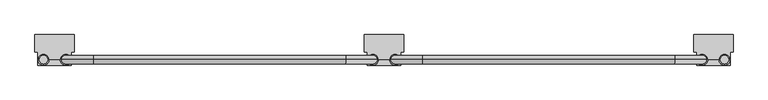
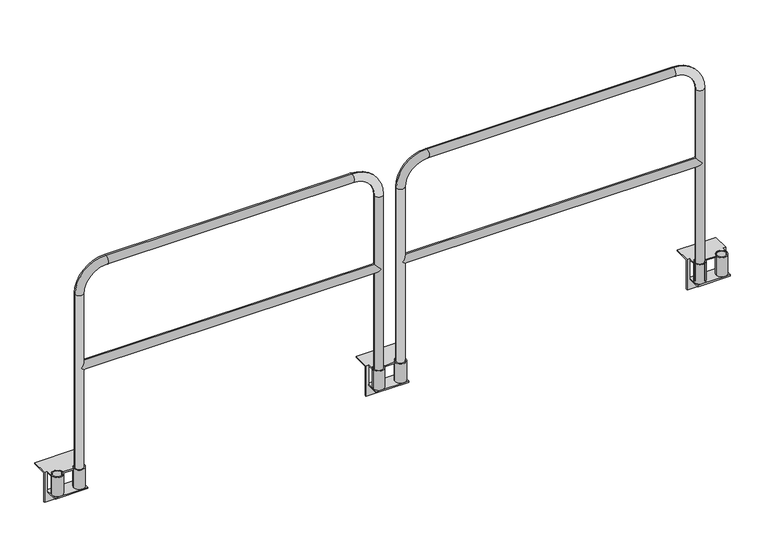
"""IFC4 building model written with IfcOpenShell, lengths in millimetres: railing geometry."""

from ifc_helpers import new_model, si_unit, point, frame, frame_2d, origin, place, context, project, spatial, polyline, circle_curve, ellipse_curve, trimmed, segment, composite_curve, outline, extrude, source, transform, mapped, element, save
from ifc_brep_helpers import plane_surface, cylinder_surface, revolved_surface, advanced_brep


def railing_6bf42990(model_context):
    return source(origin(), model_context, "Body", "SolidModel", [
        advanced_brep(
        [(22042.6627627, 15414.0676937, -95.25), (22042.6627627, 15414.0676937, -101.6), (22042.6627627, 15479.1551937, -101.6), (22042.6627627, 15479.1551937, -95.25), (22042.6627627, 15441.0551937, -95.25), (22042.6627627, 15479.1551937, 6.35), (22042.6627627, 15441.0551937, 6.35), (22042.6627627, 15441.0551937, 0.0), (22042.6627627, 15479.1551937, 0.0), (21880.9246893, 15479.1551937, -101.6), (21880.9246893, 15414.0676937, -101.6), (21880.9246893, 15414.0676937, -95.25), (21880.9246893, 15441.0551937, -95.25), (21880.9246893, 15479.1551937, -95.25), (21880.9246893, 15479.1551937, 0.0), (21880.9246893, 15441.0551937, 0.0), (21880.9246893, 15441.0551937, 6.35), (21880.9246893, 15479.1551937, 6.35), (21988.6877627, 15441.0551937, 6.35), (21934.8996893, 15441.0551937, 6.35), (21934.8996893, 15441.0551937, 0.0), (21988.6877627, 15441.0551937, 0.0), (21866.543726, 15561.7051937, 6.35), (21866.543726, 15479.1551937, 6.35), (22057.043726, 15479.1551937, 6.35), (22057.043726, 15561.7051937, 6.35), (21866.543726, 15561.7051937, 0.0), (22057.043726, 15561.7051937, 0.0), (21866.543726, 15485.5051937, 0.0), (22057.043726, 15485.5051937, 0.0), (22042.6627627, 15485.5051937, 0.0), (21880.9246893, 15485.5051937, 0.0), (21880.9246893, 15485.5051937, -95.25), (22042.6627627, 15485.5051937, -95.25), (22057.043726, 15485.5051937, -152.4), (21866.543726, 15485.5051937, -152.4), (21907.9121893, 15414.0676937, -95.25), (22015.6752627, 15414.0676937, -95.25), (21866.543726, 15479.1551937, -152.4), (22057.043726, 15479.1551937, -152.4)],
        [
            (0, 1),
            (1, 2),
            (2, 3),
            (3, 4),
            (4, 0),
            (5, 6),
            (6, 7),
            (7, 8),
            (8, 5),
            (9, 10),
            (10, 11),
            (11, 12),
            (12, 13),
            (13, 9),
            (14, 15),
            (15, 16),
            (16, 17),
            (17, 14),
            (18, 19),
            (19, 20),
            (20, 21),
            (21, 18),
            (22, 23),
            (23, 17),
            (16, 19, circle_curve(frame((21907.9121893, 15441.0551937, 6.35), z_axis=(0.0, 0.0, -1.0), x_axis=(1.0000000000000002, 0.0, 0.0)), 26.9875)),
            (18, 6, circle_curve(frame((22015.6752627, 15441.0551937, 6.35), z_axis=(0.0, 0.0, -1.0), x_axis=(1.0000000000000002, 0.0, 0.0)), 26.9875)),
            (5, 24),
            (24, 25),
            (25, 22),
            (26, 22),
            (25, 27),
            (27, 26),
            (28, 26),
            (27, 29),
            (29, 30),
            (30, 8),
            (7, 21, circle_curve(frame((22015.6752627, 15441.0551937, 0.0), z_axis=(0.0, 0.0, 1.0), x_axis=(1.0000000000000002, 0.0, 0.0)), 26.9875)),
            (20, 15, circle_curve(frame((21907.9121893, 15441.0551937, 0.0), z_axis=(0.0, 0.0, 1.0), x_axis=(1.0000000000000002, 0.0, 0.0)), 26.9875)),
            (14, 31),
            (31, 28),
            (32, 33),
            (33, 30),
            (29, 34),
            (34, 35),
            (35, 28),
            (31, 32),
            (32, 13),
            (11, 36),
            (36, 37),
            (37, 0),
            (3, 33),
            (10, 1),
            (9, 2),
            (35, 38),
            (38, 23),
            (14, 13),
            (24, 39),
            (39, 34),
            (3, 8),
            (38, 39),
        ],
        [
            plane_surface(frame((22042.6627627, 15485.5051937, 0.0), z_axis=(1.0, 0.0, 0.0), x_axis=(0.0, 0.0, 1.0))),
            plane_surface(frame((21880.9246893, 15485.5051937, 0.0), z_axis=(-1.0, 0.0, 0.0), x_axis=(0.0, 0.0, 1.0))),
            plane_surface(frame((22042.6627627, 15441.0551937, 6.35), z_axis=(0.0, -1.0, 0.0), x_axis=(-1.0, 0.0, 0.0))),
            plane_surface(frame((22042.6627627, 15561.7051937, 6.35), z_axis=(0.0, 0.0, 1.0), x_axis=(-1.0, 0.0, 0.0))),
            plane_surface(frame((22042.6627627, 15561.7051937, 0.0), z_axis=(0.0, 1.0, 0.0), x_axis=(-1.0, 0.0, 0.0))),
            plane_surface(frame((22042.6627627, 15441.0551937, 0.0), z_axis=(0.0, 0.0, -1.0), x_axis=(-1.0, 0.0, 0.0))),
            plane_surface(frame((22042.6627627, 15485.5051937, -152.4), z_axis=(0.0, 1.0, 0.0), x_axis=(-1.0, 0.0, 0.0))),
            plane_surface(frame((22042.6627627, 15485.5051937, -95.25), z_axis=(0.0, 0.0, 1.0), x_axis=(-1.0, 0.0, 0.0))),
            plane_surface(frame((22042.6627627, 15414.0676937, -95.25), z_axis=(0.0, -1.0, 0.0), x_axis=(-1.0, 0.0, 0.0))),
            plane_surface(frame((22042.6627627, 15414.0676937, -101.6), z_axis=(0.0, 0.0, -1.0), x_axis=(-1.0, 0.0, 0.0))),
            plane_surface(frame((21866.543726, 15485.5051937, 0.0), z_axis=(-1.0, 0.0, 0.0), x_axis=(0.0, 0.0, 1.0))),
            plane_surface(frame((21880.9246893, 15485.5051937, 0.0), z_axis=(1.0, 0.0, 0.0), x_axis=(0.0, 0.0, 1.0))),
            plane_surface(frame((22057.043726, 15485.5051937, 0.0), z_axis=(1.0, 0.0, 0.0), x_axis=(0.0, 0.0, 1.0))),
            plane_surface(frame((22042.6627627, 15485.5051937, 0.0), z_axis=(-1.0, 0.0, 0.0), x_axis=(0.0, 0.0, 1.0))),
            revolved_surface(polyline([(21934.8996893, 15441.0551937, 6.349999999999994), (21934.8996893, 15441.0551937, 0.0)]), (21907.9121893, 15441.0551937, -95.25), (0.0, 0.0, 1.0)),
            revolved_surface(polyline([(22042.662762699998, 15441.0551937, 6.35), (22042.662762699998, 15441.0551937, 0.0)]), (22015.6752627, 15441.0551937, 0.0), (0.0, 0.0, 1.0)),
            plane_surface(frame((22042.6627627, 15479.1551937, -101.6), z_axis=(0.0, -1.0, 0.0), x_axis=(-1.0, 0.0, 0.0))),
            plane_surface(frame((22042.6627627, 15479.1551937, -152.4), z_axis=(0.0, 0.0, -1.0), x_axis=(-1.0, 0.0, 0.0))),
        ],
        [
            (0, [[1, 2, 3, 4, 5]]),
            (0, [[6, 7, 8, 9]]),
            (1, [[10, 11, 12, 13, 14]]),
            (1, [[15, 16, 17, 18]]),
            (2, [[19, 20, 21, 22]]),
            (3, [[23, 24, -17, 25, -19, 26, -6, 27, 28, 29]]),
            (4, [[30, -29, 31, 32]]),
            (5, [[33, -32, 34, 35, 36, -8, 37, -21, 38, -15, 39, 40]]),
            (6, [[41, 42, -35, 43, 44, 45, -40, 46]]),
            (7, [[-41, 47, -13, -12, 48, 49, 50, -5, -4, 51]]),
            (8, [[-1, -50, -49, -48, -11, 52]]),
            (9, [[-2, -52, -10, 53]]),
            (10, [[54, 55, -23, -30, -33, -45]]),
            (11, [[-46, -39, 56, -47]]),
            (12, [[-43, -34, -31, -28, 57, 58]]),
            (13, [[-42, -51, 59, -36]]),
            (14, [[-16, -38, -20, -25]]),
            (15, [[-7, -26, -22, -37]]),
            (16, [[-53, -14, -56, -18, -24, -55, 60, -57, -27, -9, -59, -3]]),
            (17, [[-54, -44, -58, -60]]),
        ],
    ),
        extrude(outline(composite_curve([segment(trimmed(circle_curve(frame_2d((22015.6752627, 15441.0551937)), 26.9875), [point((21988.6877627, 15441.0551937))], [point((22042.6627627, 15441.0551937))], False, "CARTESIAN"), True, "CONTINUOUS"), segment(trimmed(circle_curve(frame_2d((22015.6752627, 15441.0551937)), 26.9875), [point((22042.6627627, 15441.0551937))], [point((21988.6877627, 15441.0551937))], False, "CARTESIAN"), True, "CONTINUOUS")], self_intersect=False), holes=[composite_curve([segment(trimmed(circle_curve(frame_2d((22015.6752627, 15441.0551937)), 20.6375), [point((21995.0377627, 15441.0551937))], [point((22036.3127627, 15441.0551937))], True, "CARTESIAN"), True, "CONTINUOUS"), segment(trimmed(circle_curve(frame_2d((22015.6752627, 15441.0551937)), 20.6375), [point((22036.3127627, 15441.0551937))], [point((21995.0377627, 15441.0551937))], True, "CARTESIAN"), True, "CONTINUOUS")], self_intersect=False)]), frame((0.0, 0.0, -95.25), z_axis=(0.0, 0.0, 1.0), x_axis=(1.0, 0.0, 0.0)), (0.0, 0.0, 1.0), 101.6),
        extrude(outline(composite_curve([segment(trimmed(circle_curve(frame_2d((21907.9121893, 15441.0551937)), 26.9875), [point((21880.9246893, 15441.0551937))], [point((21934.8996893, 15441.0551937))], False, "CARTESIAN"), True, "CONTINUOUS"), segment(trimmed(circle_curve(frame_2d((21907.9121893, 15441.0551937)), 26.9875), [point((21934.8996893, 15441.0551937))], [point((21880.9246893, 15441.0551937))], False, "CARTESIAN"), True, "CONTINUOUS")], self_intersect=False), holes=[composite_curve([segment(trimmed(circle_curve(frame_2d((21907.9121893, 15441.0551937)), 20.6375), [point((21887.2746893, 15441.0551937))], [point((21928.5496893, 15441.0551937))], True, "CARTESIAN"), True, "CONTINUOUS"), segment(trimmed(circle_curve(frame_2d((21907.9121893, 15441.0551937)), 20.6375), [point((21928.5496893, 15441.0551937))], [point((21887.2746893, 15441.0551937))], True, "CARTESIAN"), True, "CONTINUOUS")], self_intersect=False)]), frame((0.0, 0.0, -95.25), z_axis=(0.0, 0.0, 1.0), x_axis=(1.0, 0.0, 0.0)), (0.0, 0.0, 1.0), 101.6),
        advanced_brep(
        [(23471.4127627, 15414.0676937, -95.25), (23471.4127627, 15441.0551937, -95.25), (23471.4127627, 15479.1551937, -95.25), (23471.4127627, 15479.1551937, -101.6), (23471.4127627, 15414.0676937, -101.6), (23471.4127627, 15479.1551937, 6.35), (23471.4127627, 15479.1551937, 0.0), (23471.4127627, 15441.0551937, 0.0), (23471.4127627, 15441.0551937, 6.35), (23633.1508362, 15479.1551937, -101.6), (23633.1508362, 15479.1551937, -95.25), (23633.1508362, 15441.0551937, -95.25), (23633.1508362, 15414.0676937, -95.25), (23633.1508362, 15414.0676937, -101.6), (23633.1508362, 15479.1551937, 0.0), (23633.1508362, 15479.1551937, 6.35), (23633.1508362, 15441.0551937, 6.35), (23633.1508362, 15441.0551937, 0.0), (23525.3877627, 15441.0551937, 6.35), (23525.3877627, 15441.0551937, 0.0), (23579.1758362, 15441.0551937, 0.0), (23579.1758362, 15441.0551937, 6.35), (23647.5317994, 15561.7051937, 6.35), (23457.0317994, 15561.7051937, 6.35), (23457.0317994, 15479.1551937, 6.35), (23647.5317994, 15479.1551937, 6.35), (23647.5317994, 15561.7051937, 0.0), (23457.0317994, 15561.7051937, 0.0), (23647.5317994, 15485.5051937, 0.0), (23633.1508362, 15485.5051937, 0.0), (23471.4127627, 15485.5051937, 0.0), (23457.0317994, 15485.5051937, 0.0), (23633.1508362, 15485.5051937, -95.25), (23647.5317994, 15485.5051937, -152.4), (23457.0317994, 15485.5051937, -152.4), (23471.4127627, 15485.5051937, -95.25), (23498.4002627, 15414.0676937, -95.25), (23606.1633362, 15414.0676937, -95.25), (23647.5317994, 15479.1551937, -152.4), (23457.0317994, 15479.1551937, -152.4)],
        [
            (0, 1),
            (1, 2),
            (2, 3),
            (3, 4),
            (4, 0),
            (5, 6),
            (6, 7),
            (7, 8),
            (8, 5),
            (9, 10),
            (10, 11),
            (11, 12),
            (12, 13),
            (13, 9),
            (14, 15),
            (15, 16),
            (16, 17),
            (17, 14),
            (18, 19),
            (19, 20),
            (20, 21),
            (21, 18),
            (22, 23),
            (23, 24),
            (24, 5),
            (8, 18, circle_curve(frame((23498.4002627, 15441.0551937, 6.35), z_axis=(0.0, 0.0, -1.0), x_axis=(-1.0000000000000002, 0.0, 0.0)), 26.9875)),
            (21, 16, circle_curve(frame((23606.1633362, 15441.0551937, 6.35), z_axis=(0.0, 0.0, -1.0), x_axis=(-1.0000000000000002, 0.0, 0.0)), 26.9875)),
            (15, 25),
            (25, 22),
            (26, 27),
            (27, 23),
            (22, 26),
            (28, 29),
            (29, 14),
            (17, 20, circle_curve(frame((23606.1633362, 15441.0551937, 0.0), z_axis=(0.0, 0.0, 1.0), x_axis=(-1.0000000000000002, 0.0, 0.0)), 26.9875)),
            (19, 7, circle_curve(frame((23498.4002627, 15441.0551937, 0.0), z_axis=(0.0, 0.0, 1.0), x_axis=(-1.0000000000000002, 0.0, 0.0)), 26.9875)),
            (6, 30),
            (30, 31),
            (31, 27),
            (26, 28),
            (32, 29),
            (28, 33),
            (33, 34),
            (34, 31),
            (30, 35),
            (35, 32),
            (35, 2),
            (0, 36),
            (36, 37),
            (37, 12),
            (10, 32),
            (4, 13),
            (3, 9),
            (25, 38),
            (38, 33),
            (10, 14),
            (34, 39),
            (39, 24),
            (6, 2),
            (39, 38),
        ],
        [
            plane_surface(frame((23471.4127627, 15485.5051937, 0.0), z_axis=(-1.0, 0.0, 0.0), x_axis=(0.0, 0.0, 1.0))),
            plane_surface(frame((23633.1508362, 15485.5051937, 0.0), z_axis=(1.0, 0.0, 0.0), x_axis=(0.0, 0.0, 1.0))),
            plane_surface(frame((23471.4127627, 15441.0551937, 6.35), z_axis=(0.0, -1.0, 0.0), x_axis=(1.0, 0.0, 0.0))),
            plane_surface(frame((23471.4127627, 15561.7051937, 6.35), z_axis=(0.0, 0.0, 1.0), x_axis=(1.0, 0.0, 0.0))),
            plane_surface(frame((23471.4127627, 15561.7051937, 0.0), z_axis=(0.0, 1.0, 0.0), x_axis=(1.0, 0.0, 0.0))),
            plane_surface(frame((23471.4127627, 15441.0551937, 0.0), z_axis=(0.0, 0.0, -1.0), x_axis=(1.0, 0.0, 0.0))),
            plane_surface(frame((23471.4127627, 15485.5051937, -152.4), z_axis=(0.0, 1.0, 0.0), x_axis=(1.0, 0.0, 0.0))),
            plane_surface(frame((23471.4127627, 15485.5051937, -95.25), z_axis=(0.0, 0.0, 1.0), x_axis=(1.0, 0.0, 0.0))),
            plane_surface(frame((23471.4127627, 15414.0676937, -95.25), z_axis=(0.0, -1.0, 0.0), x_axis=(1.0, 0.0, 0.0))),
            plane_surface(frame((23471.4127627, 15414.0676937, -101.6), z_axis=(0.0, 0.0, -1.0), x_axis=(1.0, 0.0, 0.0))),
            plane_surface(frame((23647.5317994, 15485.5051937, 0.0), z_axis=(1.0, 0.0, 0.0), x_axis=(0.0, 0.0, 1.0))),
            plane_surface(frame((23633.1508362, 15485.5051937, 0.0), z_axis=(-1.0, 0.0, 0.0), x_axis=(0.0, 0.0, 1.0))),
            plane_surface(frame((23457.0317994, 15485.5051937, 0.0), z_axis=(-1.0, 0.0, 0.0), x_axis=(0.0, 0.0, 1.0))),
            plane_surface(frame((23471.4127627, 15485.5051937, 0.0), z_axis=(1.0, 0.0, 0.0), x_axis=(0.0, 0.0, 1.0))),
            revolved_surface(polyline([(23579.1758362, 15441.0551937, 6.349999999999994), (23579.1758362, 15441.0551937, 0.0)]), (23606.1633362, 15441.0551937, -95.25), (0.0, 0.0, 1.0)),
            revolved_surface(polyline([(23471.4127627, 15441.0551937, 6.35), (23471.4127627, 15441.0551937, 0.0)]), (23498.4002627, 15441.0551937, 0.0), (0.0, 0.0, 1.0)),
            plane_surface(frame((23471.4127627, 15479.1551937, -101.6), z_axis=(0.0, -1.0, 0.0), x_axis=(1.0, 0.0, 0.0))),
            plane_surface(frame((23471.4127627, 15479.1551937, -152.4), z_axis=(0.0, 0.0, -1.0), x_axis=(1.0, 0.0, 0.0))),
        ],
        [
            (0, [[1, 2, 3, 4, 5]]),
            (0, [[6, 7, 8, 9]]),
            (1, [[10, 11, 12, 13, 14]]),
            (1, [[15, 16, 17, 18]]),
            (2, [[19, 20, 21, 22]]),
            (3, [[23, 24, 25, -9, 26, -22, 27, -16, 28, 29]]),
            (4, [[30, 31, -23, 32]]),
            (5, [[33, 34, -18, 35, -20, 36, -7, 37, 38, 39, -30, 40]]),
            (6, [[41, -33, 42, 43, 44, -38, 45, 46]]),
            (7, [[47, -2, -1, 48, 49, 50, -12, -11, 51, -46]]),
            (8, [[52, -13, -50, -49, -48, -5]]),
            (9, [[53, -14, -52, -4]]),
            (10, [[-42, -40, -32, -29, 54, 55]]),
            (11, [[-51, 56, -34, -41]]),
            (12, [[57, 58, -24, -31, -39, -44]]),
            (13, [[-37, 59, -47, -45]]),
            (14, [[-27, -21, -35, -17]]),
            (15, [[-36, -19, -26, -8]]),
            (16, [[-3, -59, -6, -25, -58, 60, -54, -28, -15, -56, -10, -53]]),
            (17, [[-60, -57, -43, -55]]),
        ],
    ),
        extrude(outline(composite_curve([segment(trimmed(circle_curve(frame_2d((23498.4002627, 15441.0551937)), 26.9875), [point((23525.3877627, 15441.0551937))], [point((23471.4127627, 15441.0551937))], False, "CARTESIAN"), True, "CONTINUOUS"), segment(trimmed(circle_curve(frame_2d((23498.4002627, 15441.0551937)), 26.9875), [point((23471.4127627, 15441.0551937))], [point((23525.3877627, 15441.0551937))], False, "CARTESIAN"), True, "CONTINUOUS")], self_intersect=False), holes=[composite_curve([segment(trimmed(circle_curve(frame_2d((23498.4002627, 15441.0551937)), 20.6375), [point((23519.0377627, 15441.0551937))], [point((23477.7627627, 15441.0551937))], True, "CARTESIAN"), True, "CONTINUOUS"), segment(trimmed(circle_curve(frame_2d((23498.4002627, 15441.0551937)), 20.6375), [point((23477.7627627, 15441.0551937))], [point((23519.0377627, 15441.0551937))], True, "CARTESIAN"), True, "CONTINUOUS")], self_intersect=False)]), frame((0.0, 0.0, -95.25), z_axis=(0.0, 0.0, 1.0), x_axis=(1.0, 0.0, 0.0)), (0.0, 0.0, 1.0), 101.6),
        extrude(outline(composite_curve([segment(trimmed(circle_curve(frame_2d((23606.1633362, 15441.0551937)), 26.9875), [point((23633.1508362, 15441.0551937))], [point((23579.1758362, 15441.0551937))], False, "CARTESIAN"), True, "CONTINUOUS"), segment(trimmed(circle_curve(frame_2d((23606.1633362, 15441.0551937)), 26.9875), [point((23579.1758362, 15441.0551937))], [point((23633.1508362, 15441.0551937))], False, "CARTESIAN"), True, "CONTINUOUS")], self_intersect=False), holes=[composite_curve([segment(trimmed(circle_curve(frame_2d((23606.1633362, 15441.0551937)), 20.6375), [point((23626.8008362, 15441.0551937))], [point((23585.5258362, 15441.0551937))], True, "CARTESIAN"), True, "CONTINUOUS"), segment(trimmed(circle_curve(frame_2d((23606.1633362, 15441.0551937)), 20.6375), [point((23585.5258362, 15441.0551937))], [point((23626.8008362, 15441.0551937))], True, "CARTESIAN"), True, "CONTINUOUS")], self_intersect=False)]), frame((0.0, 0.0, -95.25), z_axis=(0.0, 0.0, 1.0), x_axis=(1.0, 0.0, 0.0)), (0.0, 0.0, 1.0), 101.6),
        advanced_brep(
        [(22036.3127627, 15441.0551937, 554.0375), (22015.6752627, 15420.4176937, 533.4), (22036.3127627, 15441.0551937, 512.7625), (23477.7627627, 15441.0551937, 512.7625), (23498.4002627, 15420.4176937, 533.4), (23477.7627627, 15441.0551937, 554.0375), (23498.4002627, 15461.6926937, 533.4), (22015.6752627, 15461.6926937, 533.4), (21995.0377627, 15441.0551937, -95.25), (22036.3127627, 15441.0551937, -95.25), (22036.3127627, 15441.0551937, 914.4), (21995.0377627, 15441.0551937, 914.4), (22147.4377627, 15441.0551937, 1025.525), (22147.4377627, 15441.0551937, 1066.8), (23366.6377627, 15441.0551937, 1025.525), (23366.6377627, 15441.0551937, 1066.8), (23477.7627627, 15441.0551937, 914.4), (23519.0377627, 15441.0551937, 914.4), (23519.0377627, 15441.0551937, -95.25), (23477.7627627, 15441.0551937, -95.25)],
        [
            (0, 1, ellipse_curve(frame((22015.6752627, 15441.0551937, 533.4), z_axis=(0.7071067811865475, 0.0, -0.7071067811865475), x_axis=(-0.7071067811865476, 0.0, -0.7071067811865474)), 29.1858324, 20.6375)),
            (1, 2, ellipse_curve(frame((22015.6752627, 15441.0551937, 533.4), z_axis=(0.7071067811865475, 0.0, 0.7071067811865475), x_axis=(-0.7071067811865476, 0.0, 0.7071067811865474)), 29.1858324, 20.6375)),
            (2, 3),
            (3, 4, ellipse_curve(frame((23498.4002627, 15441.0551937, 533.4), z_axis=(-0.7071067811865475, 0.0, 0.7071067811865475), x_axis=(-0.7071067811865476, 0.0, -0.7071067811865474)), 29.1858324, 20.6375)),
            (4, 5, ellipse_curve(frame((23498.4002627, 15441.0551937, 533.4), z_axis=(-0.7071067811865475, 0.0, -0.7071067811865475), x_axis=(-0.7071067811865476, 0.0, 0.7071067811865474)), 29.1858324, 20.6375)),
            (5, 0),
            (5, 6, ellipse_curve(frame((23498.4002627, 15441.0551937, 533.4), z_axis=(-0.7071067811865475, 0.0, -0.7071067811865475), x_axis=(-0.7071067811865476, 0.0, 0.7071067811865474)), 29.1858324, 20.6375)),
            (6, 3, ellipse_curve(frame((23498.4002627, 15441.0551937, 533.4), z_axis=(-0.7071067811865475, 0.0, 0.7071067811865475), x_axis=(-0.7071067811865476, 0.0, -0.7071067811865474)), 29.1858324, 20.6375)),
            (2, 7, ellipse_curve(frame((22015.6752627, 15441.0551937, 533.4), z_axis=(0.7071067811865475, 0.0, 0.7071067811865475), x_axis=(-0.7071067811865476, 0.0, 0.7071067811865474)), 29.1858324, 20.6375)),
            (7, 0, ellipse_curve(frame((22015.6752627, 15441.0551937, 533.4), z_axis=(0.7071067811865475, 0.0, -0.7071067811865475), x_axis=(-0.7071067811865476, 0.0, -0.7071067811865474)), 29.1858324, 20.6375)),
            (8, 9, circle_curve(frame((22015.6752627, 15441.0551937, -95.25), z_axis=(0.0, 0.0, -1.0), x_axis=(1.0, 0.0, 0.0)), 20.6375)),
            (9, 8, circle_curve(frame((22015.6752627, 15441.0551937, -95.25), z_axis=(0.0, 0.0, -1.0), x_axis=(1.0, 0.0, 0.0)), 20.6375)),
            (9, 2),
            (0, 10),
            (10, 11, circle_curve(frame((22015.6752627, 15441.0551937, 914.4), z_axis=(0.0, 0.0, -1.0), x_axis=(1.0, 0.0, 0.0)), 20.6375)),
            (11, 8),
            (11, 10, circle_curve(frame((22015.6752627, 15441.0551937, 914.4), z_axis=(0.0, 0.0, -1.0), x_axis=(1.0, 0.0, 0.0)), 20.6375)),
            (10, 12, circle_curve(frame((22147.4377627, 15441.0551937, 914.4), z_axis=(0.0, 1.0, 0.0), x_axis=(-1.0, 0.0, 0.0)), 111.125)),
            (12, 13, circle_curve(frame((22147.4377627, 15441.0551937, 1046.1625), z_axis=(-1.0, 0.0, 0.0), x_axis=(0.0, 0.0, -1.0)), 20.6375)),
            (13, 11, circle_curve(frame((22147.4377627, 15441.0551937, 914.4), z_axis=(0.0, -1.0, 0.0), x_axis=(-1.0, 0.0, 0.0)), 152.4)),
            (13, 12, circle_curve(frame((22147.4377627, 15441.0551937, 1046.1625), z_axis=(-1.0, 0.0, 0.0), x_axis=(0.0, 0.0, -1.0)), 20.6375)),
            (12, 14),
            (14, 15, circle_curve(frame((23366.6377627, 15441.0551937, 1046.1625), z_axis=(-1.0, 0.0, 0.0), x_axis=(0.0, 0.0, -1.0)), 20.6375)),
            (15, 13),
            (15, 14, circle_curve(frame((23366.6377627, 15441.0551937, 1046.1625), z_axis=(-1.0, 0.0, 0.0), x_axis=(0.0, 0.0, -1.0)), 20.6375)),
            (14, 16, circle_curve(frame((23366.6377627, 15441.0551937, 914.4), z_axis=(0.0, 1.0, 0.0), x_axis=(0.0, 0.0, 1.0)), 111.125)),
            (16, 17, circle_curve(frame((23498.4002627, 15441.0551937, 914.4), z_axis=(0.0, 0.0, 1.0), x_axis=(-1.0, 0.0, 0.0)), 20.6375)),
            (17, 15, circle_curve(frame((23366.6377627, 15441.0551937, 914.4), z_axis=(0.0, -1.0, 0.0), x_axis=(0.0, 0.0, 1.0)), 152.4)),
            (17, 16, circle_curve(frame((23498.4002627, 15441.0551937, 914.4), z_axis=(0.0, 0.0, 1.0), x_axis=(-1.0, 0.0, 0.0)), 20.6375)),
            (18, 19, circle_curve(frame((23498.4002627, 15441.0551937, -95.25), z_axis=(0.0, 0.0, -1.0), x_axis=(-1.0, 0.0, 0.0)), 20.6375)),
            (19, 18, circle_curve(frame((23498.4002627, 15441.0551937, -95.25), z_axis=(0.0, 0.0, -1.0), x_axis=(-1.0, 0.0, 0.0)), 20.6375)),
            (16, 5),
            (3, 19),
            (18, 17),
        ],
        [
            cylinder_surface(frame((22015.6752627, 15441.0551937, 533.4), z_axis=(-1.0, 0.0, 0.0), x_axis=(0.0, 0.0, -1.0)), 20.6375),
            plane_surface(frame((21995.0377627, 15441.0551937, -95.25), z_axis=(0.0, 0.0, -1.0), x_axis=(0.0, -1.0, 0.0))),
            cylinder_surface(frame((22015.6752627, 15441.0551937, -95.25), z_axis=(0.0, 0.0, -1.0), x_axis=(1.0, 0.0, 0.0)), 20.6375),
            revolved_surface(trimmed(ellipse_curve(frame((22015.6752627, 15441.0551937, 914.4), z_axis=(0.0, 0.0, 1.0), x_axis=(1.0, 0.0, 0.0)), 20.6375, 20.6375), [point((21995.0377627, 15441.0551937, 914.4))], [point((22036.3127627, 15441.0551937, 914.4))], True, "CARTESIAN"), (22147.4377627, 15441.0551937, 914.4), (0.0, -1.0, 0.0)),
            revolved_surface(trimmed(ellipse_curve(frame((22015.6752627, 15441.0551937, 914.4), z_axis=(0.0, 0.0, 1.0), x_axis=(1.0, 0.0, 0.0)), 20.6375, 20.6375), [point((22036.3127627, 15441.0551937, 914.4))], [point((21995.0377627, 15441.0551937, 914.4))], True, "CARTESIAN"), (22147.4377627, 15441.0551937, 914.4), (0.0, -1.0, 0.0)),
            cylinder_surface(frame((22147.4377627, 15441.0551937, 1046.1625), z_axis=(-1.0, 0.0, 0.0), x_axis=(0.0, 0.0, -1.0)), 20.6375),
            revolved_surface(trimmed(ellipse_curve(frame((23366.6377627, 15441.0551937, 1046.1625), z_axis=(1.0, 0.0, 0.0), x_axis=(0.0, 0.0, -1.0)), 20.6375, 20.6375), [point((23366.6377627, 15441.0551937, 1066.8))], [point((23366.6377627, 15441.0551937, 1025.525))], True, "CARTESIAN"), (23366.6377627, 15441.0551937, 914.4), (0.0, -1.0, 0.0)),
            revolved_surface(trimmed(ellipse_curve(frame((23366.6377627, 15441.0551937, 1046.1625), z_axis=(1.0, 0.0, 0.0), x_axis=(0.0, 0.0, -1.0)), 20.6375, 20.6375), [point((23366.6377627, 15441.0551937, 1025.525))], [point((23366.6377627, 15441.0551937, 1066.8))], True, "CARTESIAN"), (23366.6377627, 15441.0551937, 914.4), (0.0, -1.0, 0.0)),
            plane_surface(frame((23519.0377627, 15441.0551937, -95.25), z_axis=(0.0, 0.0, -1.0), x_axis=(0.0, -1.0, 0.0))),
            cylinder_surface(frame((23498.4002627, 15441.0551937, 914.4), z_axis=(0.0, 0.0, 1.0), x_axis=(-1.0, 0.0, 0.0)), 20.6375),
        ],
        [
            (0, [[1, 2, 3, 4, 5, 6]]),
            (0, [[7, 8, -3, 9, 10, -6]]),
            (1, [[11, 12]]),
            (2, [[13, -2, -1, 14, 15, 16, -12]]),
            (2, [[-16, 17, -14, -10, -9, -13, -11]]),
            (3, [[18, 19, 20, -15]]),
            (4, [[-20, 21, -18, -17]]),
            (5, [[22, 23, 24, -19]]),
            (5, [[-24, 25, -22, -21]]),
            (6, [[26, 27, 28, -23]]),
            (7, [[-28, 29, -26, -25]]),
            (8, [[30, 31]]),
            (9, [[32, -5, -4, 33, -30, 34, -27]]),
            (9, [[-34, -31, -33, -8, -7, -32, -29]]),
        ],
    ),
        advanced_brep(
        [(20452.1862002, 15414.0676937, -95.25), (20452.1862002, 15414.0676937, -101.6), (20452.1862002, 15479.1551937, -101.6), (20452.1862002, 15479.1551937, -95.25), (20452.1862002, 15441.0551937, -95.25), (20452.1862002, 15479.1551937, 6.35), (20452.1862002, 15441.0551937, 6.35), (20452.1862002, 15441.0551937, 0.0), (20452.1862002, 15479.1551937, 0.0), (20290.4481268, 15479.1551937, -101.6), (20290.4481268, 15414.0676937, -101.6), (20290.4481268, 15414.0676937, -95.25), (20290.4481268, 15441.0551937, -95.25), (20290.4481268, 15479.1551937, -95.25), (20290.4481268, 15479.1551937, 0.0), (20290.4481268, 15441.0551937, 0.0), (20290.4481268, 15441.0551937, 6.35), (20290.4481268, 15479.1551937, 6.35), (20398.2112002, 15441.0551937, 6.35), (20344.4231268, 15441.0551937, 6.35), (20344.4231268, 15441.0551937, 0.0), (20398.2112002, 15441.0551937, 0.0), (20276.0671635, 15561.7051937, 6.35), (20276.0671635, 15479.1551937, 6.35), (20466.5671635, 15479.1551937, 6.35), (20466.5671635, 15561.7051937, 6.35), (20276.0671635, 15561.7051937, 0.0), (20466.5671635, 15561.7051937, 0.0), (20276.0671635, 15485.5051937, 0.0), (20466.5671635, 15485.5051937, 0.0), (20452.1862002, 15485.5051937, 0.0), (20290.4481268, 15485.5051937, 0.0), (20290.4481268, 15485.5051937, -95.25), (20452.1862002, 15485.5051937, -95.25), (20466.5671635, 15485.5051937, -152.4), (20276.0671635, 15485.5051937, -152.4), (20317.4356268, 15414.0676937, -95.25), (20425.1987002, 15414.0676937, -95.25), (20276.0671635, 15479.1551937, -152.4), (20466.5671635, 15479.1551937, -152.4)],
        [
            (0, 1),
            (1, 2),
            (2, 3),
            (3, 4),
            (4, 0),
            (5, 6),
            (6, 7),
            (7, 8),
            (8, 5),
            (9, 10),
            (10, 11),
            (11, 12),
            (12, 13),
            (13, 9),
            (14, 15),
            (15, 16),
            (16, 17),
            (17, 14),
            (18, 19),
            (19, 20),
            (20, 21),
            (21, 18),
            (22, 23),
            (23, 17),
            (16, 19, circle_curve(frame((20317.4356268, 15441.0551937, 6.35), z_axis=(0.0, 0.0, -1.0), x_axis=(1.0000000000000002, 0.0, 0.0)), 26.9875)),
            (18, 6, circle_curve(frame((20425.1987002, 15441.0551937, 6.35), z_axis=(0.0, 0.0, -1.0), x_axis=(1.0000000000000002, 0.0, 0.0)), 26.9875)),
            (5, 24),
            (24, 25),
            (25, 22),
            (26, 22),
            (25, 27),
            (27, 26),
            (28, 26),
            (27, 29),
            (29, 30),
            (30, 8),
            (7, 21, circle_curve(frame((20425.1987002, 15441.0551937, 0.0), z_axis=(0.0, 0.0, 1.0), x_axis=(1.0000000000000002, 0.0, 0.0)), 26.9875)),
            (20, 15, circle_curve(frame((20317.4356268, 15441.0551937, 0.0), z_axis=(0.0, 0.0, 1.0), x_axis=(1.0000000000000002, 0.0, 0.0)), 26.9875)),
            (14, 31),
            (31, 28),
            (32, 33),
            (33, 30),
            (29, 34),
            (34, 35),
            (35, 28),
            (31, 32),
            (32, 13),
            (11, 36),
            (36, 37),
            (37, 0),
            (3, 33),
            (10, 1),
            (9, 2),
            (35, 38),
            (38, 23),
            (14, 13),
            (24, 39),
            (39, 34),
            (3, 8),
            (38, 39),
        ],
        [
            plane_surface(frame((20452.1862002, 15485.5051937, 0.0), z_axis=(1.0, 0.0, 0.0), x_axis=(0.0, 0.0, 1.0))),
            plane_surface(frame((20290.4481268, 15485.5051937, 0.0), z_axis=(-1.0, 0.0, 0.0), x_axis=(0.0, 0.0, 1.0))),
            plane_surface(frame((20452.1862002, 15441.0551937, 6.35), z_axis=(0.0, -1.0, 0.0), x_axis=(-1.0, 0.0, 0.0))),
            plane_surface(frame((20452.1862002, 15561.7051937, 6.35), z_axis=(0.0, 0.0, 1.0), x_axis=(-1.0, 0.0, 0.0))),
            plane_surface(frame((20452.1862002, 15561.7051937, 0.0), z_axis=(0.0, 1.0, 0.0), x_axis=(-1.0, 0.0, 0.0))),
            plane_surface(frame((20452.1862002, 15441.0551937, 0.0), z_axis=(0.0, 0.0, -1.0), x_axis=(-1.0, 0.0, 0.0))),
            plane_surface(frame((20452.1862002, 15485.5051937, -152.4), z_axis=(0.0, 1.0, 0.0), x_axis=(-1.0, 0.0, 0.0))),
            plane_surface(frame((20452.1862002, 15485.5051937, -95.25), z_axis=(0.0, 0.0, 1.0), x_axis=(-1.0, 0.0, 0.0))),
            plane_surface(frame((20452.1862002, 15414.0676937, -95.25), z_axis=(0.0, -1.0, 0.0), x_axis=(-1.0, 0.0, 0.0))),
            plane_surface(frame((20452.1862002, 15414.0676937, -101.6), z_axis=(0.0, 0.0, -1.0), x_axis=(-1.0, 0.0, 0.0))),
            plane_surface(frame((20276.0671635, 15485.5051937, 0.0), z_axis=(-1.0, 0.0, 0.0), x_axis=(0.0, 0.0, 1.0))),
            plane_surface(frame((20290.4481268, 15485.5051937, 0.0), z_axis=(1.0, 0.0, 0.0), x_axis=(0.0, 0.0, 1.0))),
            plane_surface(frame((20466.5671635, 15485.5051937, 0.0), z_axis=(1.0, 0.0, 0.0), x_axis=(0.0, 0.0, 1.0))),
            plane_surface(frame((20452.1862002, 15485.5051937, 0.0), z_axis=(-1.0, 0.0, 0.0), x_axis=(0.0, 0.0, 1.0))),
            revolved_surface(polyline([(20344.4231268, 15441.0551937, 6.349999999999994), (20344.4231268, 15441.0551937, 0.0)]), (20317.4356268, 15441.0551937, -95.25), (0.0, 0.0, 1.0)),
            revolved_surface(polyline([(20452.186200199998, 15441.0551937, 6.35), (20452.186200199998, 15441.0551937, 0.0)]), (20425.1987002, 15441.0551937, 0.0), (0.0, 0.0, 1.0)),
            plane_surface(frame((20452.1862002, 15479.1551937, -101.6), z_axis=(0.0, -1.0, 0.0), x_axis=(-1.0, 0.0, 0.0))),
            plane_surface(frame((20452.1862002, 15479.1551937, -152.4), z_axis=(0.0, 0.0, -1.0), x_axis=(-1.0, 0.0, 0.0))),
        ],
        [
            (0, [[1, 2, 3, 4, 5]]),
            (0, [[6, 7, 8, 9]]),
            (1, [[10, 11, 12, 13, 14]]),
            (1, [[15, 16, 17, 18]]),
            (2, [[19, 20, 21, 22]]),
            (3, [[23, 24, -17, 25, -19, 26, -6, 27, 28, 29]]),
            (4, [[30, -29, 31, 32]]),
            (5, [[33, -32, 34, 35, 36, -8, 37, -21, 38, -15, 39, 40]]),
            (6, [[41, 42, -35, 43, 44, 45, -40, 46]]),
            (7, [[-41, 47, -13, -12, 48, 49, 50, -5, -4, 51]]),
            (8, [[-1, -50, -49, -48, -11, 52]]),
            (9, [[-2, -52, -10, 53]]),
            (10, [[54, 55, -23, -30, -33, -45]]),
            (11, [[-46, -39, 56, -47]]),
            (12, [[-43, -34, -31, -28, 57, 58]]),
            (13, [[-42, -51, 59, -36]]),
            (14, [[-16, -38, -20, -25]]),
            (15, [[-7, -26, -22, -37]]),
            (16, [[-53, -14, -56, -18, -24, -55, 60, -57, -27, -9, -59, -3]]),
            (17, [[-54, -44, -58, -60]]),
        ],
    ),
        extrude(outline(composite_curve([segment(trimmed(circle_curve(frame_2d((20425.1987002, 15441.0551937)), 26.9875), [point((20398.2112002, 15441.0551937))], [point((20452.1862002, 15441.0551937))], False, "CARTESIAN"), True, "CONTINUOUS"), segment(trimmed(circle_curve(frame_2d((20425.1987002, 15441.0551937)), 26.9875), [point((20452.1862002, 15441.0551937))], [point((20398.2112002, 15441.0551937))], False, "CARTESIAN"), True, "CONTINUOUS")], self_intersect=False), holes=[composite_curve([segment(trimmed(circle_curve(frame_2d((20425.1987002, 15441.0551937)), 20.6375), [point((20404.5612002, 15441.0551937))], [point((20445.8362002, 15441.0551937))], True, "CARTESIAN"), True, "CONTINUOUS"), segment(trimmed(circle_curve(frame_2d((20425.1987002, 15441.0551937)), 20.6375), [point((20445.8362002, 15441.0551937))], [point((20404.5612002, 15441.0551937))], True, "CARTESIAN"), True, "CONTINUOUS")], self_intersect=False)]), frame((0.0, 0.0, -95.25), z_axis=(0.0, 0.0, 1.0), x_axis=(1.0, 0.0, 0.0)), (0.0, 0.0, 1.0), 101.6),
        extrude(outline(composite_curve([segment(trimmed(circle_curve(frame_2d((20317.4356268, 15441.0551937)), 26.9875), [point((20290.4481268, 15441.0551937))], [point((20344.4231268, 15441.0551937))], False, "CARTESIAN"), True, "CONTINUOUS"), segment(trimmed(circle_curve(frame_2d((20317.4356268, 15441.0551937)), 26.9875), [point((20344.4231268, 15441.0551937))], [point((20290.4481268, 15441.0551937))], False, "CARTESIAN"), True, "CONTINUOUS")], self_intersect=False), holes=[composite_curve([segment(trimmed(circle_curve(frame_2d((20317.4356268, 15441.0551937)), 20.6375), [point((20296.7981268, 15441.0551937))], [point((20338.0731268, 15441.0551937))], True, "CARTESIAN"), True, "CONTINUOUS"), segment(trimmed(circle_curve(frame_2d((20317.4356268, 15441.0551937)), 20.6375), [point((20338.0731268, 15441.0551937))], [point((20296.7981268, 15441.0551937))], True, "CARTESIAN"), True, "CONTINUOUS")], self_intersect=False)]), frame((0.0, 0.0, -95.25), z_axis=(0.0, 0.0, 1.0), x_axis=(1.0, 0.0, 0.0)), (0.0, 0.0, 1.0), 101.6),
        advanced_brep(
        [(21880.9362002, 15414.0676937, -95.25), (21880.9362002, 15441.0551937, -95.25), (21880.9362002, 15479.1551937, -95.25), (21880.9362002, 15479.1551937, -101.6), (21880.9362002, 15414.0676937, -101.6), (21880.9362002, 15479.1551937, 6.35), (21880.9362002, 15479.1551937, 0.0), (21880.9362002, 15441.0551937, 0.0), (21880.9362002, 15441.0551937, 6.35), (22042.6742737, 15479.1551937, -101.6), (22042.6742737, 15479.1551937, -95.25), (22042.6742737, 15441.0551937, -95.25), (22042.6742737, 15414.0676937, -95.25), (22042.6742737, 15414.0676937, -101.6), (22042.6742737, 15479.1551937, 0.0), (22042.6742737, 15479.1551937, 6.35), (22042.6742737, 15441.0551937, 6.35), (22042.6742737, 15441.0551937, 0.0), (21934.9112002, 15441.0551937, 6.35), (21934.9112002, 15441.0551937, 0.0), (21988.6992737, 15441.0551937, 0.0), (21988.6992737, 15441.0551937, 6.35), (22057.0552369, 15561.7051937, 6.35), (21866.5552369, 15561.7051937, 6.35), (21866.5552369, 15479.1551937, 6.35), (22057.0552369, 15479.1551937, 6.35), (22057.0552369, 15561.7051937, 0.0), (21866.5552369, 15561.7051937, 0.0), (22057.0552369, 15485.5051937, 0.0), (22042.6742737, 15485.5051937, 0.0), (21880.9362002, 15485.5051937, 0.0), (21866.5552369, 15485.5051937, 0.0), (22042.6742737, 15485.5051937, -95.25), (22057.0552369, 15485.5051937, -152.4), (21866.5552369, 15485.5051937, -152.4), (21880.9362002, 15485.5051937, -95.25), (21907.9237002, 15414.0676937, -95.25), (22015.6867737, 15414.0676937, -95.25), (22057.0552369, 15479.1551937, -152.4), (21866.5552369, 15479.1551937, -152.4)],
        [
            (0, 1),
            (1, 2),
            (2, 3),
            (3, 4),
            (4, 0),
            (5, 6),
            (6, 7),
            (7, 8),
            (8, 5),
            (9, 10),
            (10, 11),
            (11, 12),
            (12, 13),
            (13, 9),
            (14, 15),
            (15, 16),
            (16, 17),
            (17, 14),
            (18, 19),
            (19, 20),
            (20, 21),
            (21, 18),
            (22, 23),
            (23, 24),
            (24, 5),
            (8, 18, circle_curve(frame((21907.9237002, 15441.0551937, 6.35), z_axis=(0.0, 0.0, -1.0), x_axis=(-1.0000000000000002, 0.0, 0.0)), 26.9875)),
            (21, 16, circle_curve(frame((22015.6867737, 15441.0551937, 6.35), z_axis=(0.0, 0.0, -1.0), x_axis=(-1.0000000000000002, 0.0, 0.0)), 26.9875)),
            (15, 25),
            (25, 22),
            (26, 27),
            (27, 23),
            (22, 26),
            (28, 29),
            (29, 14),
            (17, 20, circle_curve(frame((22015.6867737, 15441.0551937, 0.0), z_axis=(0.0, 0.0, 1.0), x_axis=(-1.0000000000000002, 0.0, 0.0)), 26.9875)),
            (19, 7, circle_curve(frame((21907.9237002, 15441.0551937, 0.0), z_axis=(0.0, 0.0, 1.0), x_axis=(-1.0000000000000002, 0.0, 0.0)), 26.9875)),
            (6, 30),
            (30, 31),
            (31, 27),
            (26, 28),
            (32, 29),
            (28, 33),
            (33, 34),
            (34, 31),
            (30, 35),
            (35, 32),
            (35, 2),
            (0, 36),
            (36, 37),
            (37, 12),
            (10, 32),
            (4, 13),
            (3, 9),
            (25, 38),
            (38, 33),
            (10, 14),
            (34, 39),
            (39, 24),
            (6, 2),
            (39, 38),
        ],
        [
            plane_surface(frame((21880.9362002, 15485.5051937, 0.0), z_axis=(-1.0, 0.0, 0.0), x_axis=(0.0, 0.0, 1.0))),
            plane_surface(frame((22042.6742737, 15485.5051937, 0.0), z_axis=(1.0, 0.0, 0.0), x_axis=(0.0, 0.0, 1.0))),
            plane_surface(frame((21880.9362002, 15441.0551937, 6.35), z_axis=(0.0, -1.0, 0.0), x_axis=(1.0, 0.0, 0.0))),
            plane_surface(frame((21880.9362002, 15561.7051937, 6.35), z_axis=(0.0, 0.0, 1.0), x_axis=(1.0, 0.0, 0.0))),
            plane_surface(frame((21880.9362002, 15561.7051937, 0.0), z_axis=(0.0, 1.0, 0.0), x_axis=(1.0, 0.0, 0.0))),
            plane_surface(frame((21880.9362002, 15441.0551937, 0.0), z_axis=(0.0, 0.0, -1.0), x_axis=(1.0, 0.0, 0.0))),
            plane_surface(frame((21880.9362002, 15485.5051937, -152.4), z_axis=(0.0, 1.0, 0.0), x_axis=(1.0, 0.0, 0.0))),
            plane_surface(frame((21880.9362002, 15485.5051937, -95.25), z_axis=(0.0, 0.0, 1.0), x_axis=(1.0, 0.0, 0.0))),
            plane_surface(frame((21880.9362002, 15414.0676937, -95.25), z_axis=(0.0, -1.0, 0.0), x_axis=(1.0, 0.0, 0.0))),
            plane_surface(frame((21880.9362002, 15414.0676937, -101.6), z_axis=(0.0, 0.0, -1.0), x_axis=(1.0, 0.0, 0.0))),
            plane_surface(frame((22057.0552369, 15485.5051937, 0.0), z_axis=(1.0, 0.0, 0.0), x_axis=(0.0, 0.0, 1.0))),
            plane_surface(frame((22042.6742737, 15485.5051937, 0.0), z_axis=(-1.0, 0.0, 0.0), x_axis=(0.0, 0.0, 1.0))),
            plane_surface(frame((21866.5552369, 15485.5051937, 0.0), z_axis=(-1.0, 0.0, 0.0), x_axis=(0.0, 0.0, 1.0))),
            plane_surface(frame((21880.9362002, 15485.5051937, 0.0), z_axis=(1.0, 0.0, 0.0), x_axis=(0.0, 0.0, 1.0))),
            revolved_surface(polyline([(21988.6992737, 15441.0551937, 6.349999999999994), (21988.6992737, 15441.0551937, 0.0)]), (22015.6867737, 15441.0551937, -95.25), (0.0, 0.0, 1.0)),
            revolved_surface(polyline([(21880.9362002, 15441.0551937, 6.35), (21880.9362002, 15441.0551937, 0.0)]), (21907.9237002, 15441.0551937, 0.0), (0.0, 0.0, 1.0)),
            plane_surface(frame((21880.9362002, 15479.1551937, -101.6), z_axis=(0.0, -1.0, 0.0), x_axis=(1.0, 0.0, 0.0))),
            plane_surface(frame((21880.9362002, 15479.1551937, -152.4), z_axis=(0.0, 0.0, -1.0), x_axis=(1.0, 0.0, 0.0))),
        ],
        [
            (0, [[1, 2, 3, 4, 5]]),
            (0, [[6, 7, 8, 9]]),
            (1, [[10, 11, 12, 13, 14]]),
            (1, [[15, 16, 17, 18]]),
            (2, [[19, 20, 21, 22]]),
            (3, [[23, 24, 25, -9, 26, -22, 27, -16, 28, 29]]),
            (4, [[30, 31, -23, 32]]),
            (5, [[33, 34, -18, 35, -20, 36, -7, 37, 38, 39, -30, 40]]),
            (6, [[41, -33, 42, 43, 44, -38, 45, 46]]),
            (7, [[47, -2, -1, 48, 49, 50, -12, -11, 51, -46]]),
            (8, [[52, -13, -50, -49, -48, -5]]),
            (9, [[53, -14, -52, -4]]),
            (10, [[-42, -40, -32, -29, 54, 55]]),
            (11, [[-51, 56, -34, -41]]),
            (12, [[57, 58, -24, -31, -39, -44]]),
            (13, [[-37, 59, -47, -45]]),
            (14, [[-27, -21, -35, -17]]),
            (15, [[-36, -19, -26, -8]]),
            (16, [[-3, -59, -6, -25, -58, 60, -54, -28, -15, -56, -10, -53]]),
            (17, [[-60, -57, -43, -55]]),
        ],
    ),
        extrude(outline(composite_curve([segment(trimmed(circle_curve(frame_2d((21907.9237002, 15441.0551937)), 26.9875), [point((21934.9112002, 15441.0551937))], [point((21880.9362002, 15441.0551937))], False, "CARTESIAN"), True, "CONTINUOUS"), segment(trimmed(circle_curve(frame_2d((21907.9237002, 15441.0551937)), 26.9875), [point((21880.9362002, 15441.0551937))], [point((21934.9112002, 15441.0551937))], False, "CARTESIAN"), True, "CONTINUOUS")], self_intersect=False), holes=[composite_curve([segment(trimmed(circle_curve(frame_2d((21907.9237002, 15441.0551937)), 20.6375), [point((21928.5612002, 15441.0551937))], [point((21887.2862002, 15441.0551937))], True, "CARTESIAN"), True, "CONTINUOUS"), segment(trimmed(circle_curve(frame_2d((21907.9237002, 15441.0551937)), 20.6375), [point((21887.2862002, 15441.0551937))], [point((21928.5612002, 15441.0551937))], True, "CARTESIAN"), True, "CONTINUOUS")], self_intersect=False)]), frame((0.0, 0.0, -95.25), z_axis=(0.0, 0.0, 1.0), x_axis=(1.0, 0.0, 0.0)), (0.0, 0.0, 1.0), 101.6),
        extrude(outline(composite_curve([segment(trimmed(circle_curve(frame_2d((22015.6867737, 15441.0551937)), 26.9875), [point((22042.6742737, 15441.0551937))], [point((21988.6992737, 15441.0551937))], False, "CARTESIAN"), True, "CONTINUOUS"), segment(trimmed(circle_curve(frame_2d((22015.6867737, 15441.0551937)), 26.9875), [point((21988.6992737, 15441.0551937))], [point((22042.6742737, 15441.0551937))], False, "CARTESIAN"), True, "CONTINUOUS")], self_intersect=False), holes=[composite_curve([segment(trimmed(circle_curve(frame_2d((22015.6867737, 15441.0551937)), 20.6375), [point((22036.3242737, 15441.0551937))], [point((21995.0492737, 15441.0551937))], True, "CARTESIAN"), True, "CONTINUOUS"), segment(trimmed(circle_curve(frame_2d((22015.6867737, 15441.0551937)), 20.6375), [point((21995.0492737, 15441.0551937))], [point((22036.3242737, 15441.0551937))], True, "CARTESIAN"), True, "CONTINUOUS")], self_intersect=False)]), frame((0.0, 0.0, -95.25), z_axis=(0.0, 0.0, 1.0), x_axis=(1.0, 0.0, 0.0)), (0.0, 0.0, 1.0), 101.6),
        advanced_brep(
        [(20445.8362002, 15441.0551937, 554.0375), (20425.1987002, 15420.4176937, 533.4), (20445.8362002, 15441.0551937, 512.7625), (21887.2862002, 15441.0551937, 512.7625), (21907.9237002, 15420.4176937, 533.4), (21887.2862002, 15441.0551937, 554.0375), (21907.9237002, 15461.6926937, 533.4), (20425.1987002, 15461.6926937, 533.4), (20404.5612002, 15441.0551937, -95.25), (20445.8362002, 15441.0551937, -95.25), (20445.8362002, 15441.0551937, 914.4), (20404.5612002, 15441.0551937, 914.4), (20556.9612002, 15441.0551937, 1025.525), (20556.9612002, 15441.0551937, 1066.8), (21776.1612002, 15441.0551937, 1025.525), (21776.1612002, 15441.0551937, 1066.8), (21887.2862002, 15441.0551937, 914.4), (21928.5612002, 15441.0551937, 914.4), (21928.5612002, 15441.0551937, -95.25), (21887.2862002, 15441.0551937, -95.25)],
        [
            (0, 1, ellipse_curve(frame((20425.1987002, 15441.0551937, 533.4), z_axis=(0.7071067811865475, 0.0, -0.7071067811865475), x_axis=(-0.7071067811865476, 0.0, -0.7071067811865474)), 29.1858324, 20.6375)),
            (1, 2, ellipse_curve(frame((20425.1987002, 15441.0551937, 533.4), z_axis=(0.7071067811865475, 0.0, 0.7071067811865475), x_axis=(-0.7071067811865476, 0.0, 0.7071067811865474)), 29.1858324, 20.6375)),
            (2, 3),
            (3, 4, ellipse_curve(frame((21907.9237002, 15441.0551937, 533.4), z_axis=(-0.7071067811865475, 0.0, 0.7071067811865475), x_axis=(-0.7071067811865476, 0.0, -0.7071067811865474)), 29.1858324, 20.6375)),
            (4, 5, ellipse_curve(frame((21907.9237002, 15441.0551937, 533.4), z_axis=(-0.7071067811865475, 0.0, -0.7071067811865475), x_axis=(-0.7071067811865476, 0.0, 0.7071067811865474)), 29.1858324, 20.6375)),
            (5, 0),
            (5, 6, ellipse_curve(frame((21907.9237002, 15441.0551937, 533.4), z_axis=(-0.7071067811865475, 0.0, -0.7071067811865475), x_axis=(-0.7071067811865476, 0.0, 0.7071067811865474)), 29.1858324, 20.6375)),
            (6, 3, ellipse_curve(frame((21907.9237002, 15441.0551937, 533.4), z_axis=(-0.7071067811865475, 0.0, 0.7071067811865475), x_axis=(-0.7071067811865476, 0.0, -0.7071067811865474)), 29.1858324, 20.6375)),
            (2, 7, ellipse_curve(frame((20425.1987002, 15441.0551937, 533.4), z_axis=(0.7071067811865475, 0.0, 0.7071067811865475), x_axis=(-0.7071067811865476, 0.0, 0.7071067811865474)), 29.1858324, 20.6375)),
            (7, 0, ellipse_curve(frame((20425.1987002, 15441.0551937, 533.4), z_axis=(0.7071067811865475, 0.0, -0.7071067811865475), x_axis=(-0.7071067811865476, 0.0, -0.7071067811865474)), 29.1858324, 20.6375)),
            (8, 9, circle_curve(frame((20425.1987002, 15441.0551937, -95.25), z_axis=(0.0, 0.0, -1.0), x_axis=(1.0, 0.0, 0.0)), 20.6375)),
            (9, 8, circle_curve(frame((20425.1987002, 15441.0551937, -95.25), z_axis=(0.0, 0.0, -1.0), x_axis=(1.0, 0.0, 0.0)), 20.6375)),
            (9, 2),
            (0, 10),
            (10, 11, circle_curve(frame((20425.1987002, 15441.0551937, 914.4), z_axis=(0.0, 0.0, -1.0), x_axis=(1.0, 0.0, 0.0)), 20.6375)),
            (11, 8),
            (11, 10, circle_curve(frame((20425.1987002, 15441.0551937, 914.4), z_axis=(0.0, 0.0, -1.0), x_axis=(1.0, 0.0, 0.0)), 20.6375)),
            (10, 12, circle_curve(frame((20556.9612002, 15441.0551937, 914.4), z_axis=(0.0, 1.0, 0.0), x_axis=(-1.0, 0.0, 0.0)), 111.125)),
            (12, 13, circle_curve(frame((20556.9612002, 15441.0551937, 1046.1625), z_axis=(-1.0, 0.0, 0.0), x_axis=(0.0, 0.0, -1.0)), 20.6375)),
            (13, 11, circle_curve(frame((20556.9612002, 15441.0551937, 914.4), z_axis=(0.0, -1.0, 0.0), x_axis=(-1.0, 0.0, 0.0)), 152.4)),
            (13, 12, circle_curve(frame((20556.9612002, 15441.0551937, 1046.1625), z_axis=(-1.0, 0.0, 0.0), x_axis=(0.0, 0.0, -1.0)), 20.6375)),
            (12, 14),
            (14, 15, circle_curve(frame((21776.1612002, 15441.0551937, 1046.1625), z_axis=(-1.0, 0.0, 0.0), x_axis=(0.0, 0.0, -1.0)), 20.6375)),
            (15, 13),
            (15, 14, circle_curve(frame((21776.1612002, 15441.0551937, 1046.1625), z_axis=(-1.0, 0.0, 0.0), x_axis=(0.0, 0.0, -1.0)), 20.6375)),
            (14, 16, circle_curve(frame((21776.1612002, 15441.0551937, 914.4), z_axis=(0.0, 1.0, 0.0), x_axis=(0.0, 0.0, 1.0)), 111.125)),
            (16, 17, circle_curve(frame((21907.9237002, 15441.0551937, 914.4), z_axis=(0.0, 0.0, 1.0), x_axis=(-1.0, 0.0, 0.0)), 20.6375)),
            (17, 15, circle_curve(frame((21776.1612002, 15441.0551937, 914.4), z_axis=(0.0, -1.0, 0.0), x_axis=(0.0, 0.0, 1.0)), 152.4)),
            (17, 16, circle_curve(frame((21907.9237002, 15441.0551937, 914.4), z_axis=(0.0, 0.0, 1.0), x_axis=(-1.0, 0.0, 0.0)), 20.6375)),
            (18, 19, circle_curve(frame((21907.9237002, 15441.0551937, -95.25), z_axis=(0.0, 0.0, -1.0), x_axis=(-1.0, 0.0, 0.0)), 20.6375)),
            (19, 18, circle_curve(frame((21907.9237002, 15441.0551937, -95.25), z_axis=(0.0, 0.0, -1.0), x_axis=(-1.0, 0.0, 0.0)), 20.6375)),
            (16, 5),
            (3, 19),
            (18, 17),
        ],
        [
            cylinder_surface(frame((20425.1987002, 15441.0551937, 533.4), z_axis=(-1.0, 0.0, 0.0), x_axis=(0.0, 0.0, -1.0)), 20.6375),
            plane_surface(frame((20404.5612002, 15441.0551937, -95.25), z_axis=(0.0, 0.0, -1.0), x_axis=(0.0, -1.0, 0.0))),
            cylinder_surface(frame((20425.1987002, 15441.0551937, -95.25), z_axis=(0.0, 0.0, -1.0), x_axis=(1.0, 0.0, 0.0)), 20.6375),
            revolved_surface(trimmed(ellipse_curve(frame((20425.1987002, 15441.0551937, 914.4), z_axis=(0.0, 0.0, 1.0), x_axis=(1.0, 0.0, 0.0)), 20.6375, 20.6375), [point((20404.5612002, 15441.0551937, 914.4))], [point((20445.8362002, 15441.0551937, 914.4))], True, "CARTESIAN"), (20556.9612002, 15441.0551937, 914.4), (0.0, -1.0, 0.0)),
            revolved_surface(trimmed(ellipse_curve(frame((20425.1987002, 15441.0551937, 914.4), z_axis=(0.0, 0.0, 1.0), x_axis=(1.0, 0.0, 0.0)), 20.6375, 20.6375), [point((20445.8362002, 15441.0551937, 914.4))], [point((20404.5612002, 15441.0551937, 914.4))], True, "CARTESIAN"), (20556.9612002, 15441.0551937, 914.4), (0.0, -1.0, 0.0)),
            cylinder_surface(frame((20556.9612002, 15441.0551937, 1046.1625), z_axis=(-1.0, 0.0, 0.0), x_axis=(0.0, 0.0, -1.0)), 20.6375),
            revolved_surface(trimmed(ellipse_curve(frame((21776.1612002, 15441.0551937, 1046.1625), z_axis=(1.0, 0.0, 0.0), x_axis=(0.0, 0.0, -1.0)), 20.6375, 20.6375), [point((21776.1612002, 15441.0551937, 1066.8))], [point((21776.1612002, 15441.0551937, 1025.525))], True, "CARTESIAN"), (21776.1612002, 15441.0551937, 914.4), (0.0, -1.0, 0.0)),
            revolved_surface(trimmed(ellipse_curve(frame((21776.1612002, 15441.0551937, 1046.1625), z_axis=(1.0, 0.0, 0.0), x_axis=(0.0, 0.0, -1.0)), 20.6375, 20.6375), [point((21776.1612002, 15441.0551937, 1025.525))], [point((21776.1612002, 15441.0551937, 1066.8))], True, "CARTESIAN"), (21776.1612002, 15441.0551937, 914.4), (0.0, -1.0, 0.0)),
            plane_surface(frame((21928.5612002, 15441.0551937, -95.25), z_axis=(0.0, 0.0, -1.0), x_axis=(0.0, -1.0, 0.0))),
            cylinder_surface(frame((21907.9237002, 15441.0551937, 914.4), z_axis=(0.0, 0.0, 1.0), x_axis=(-1.0, 0.0, 0.0)), 20.6375),
        ],
        [
            (0, [[1, 2, 3, 4, 5, 6]]),
            (0, [[7, 8, -3, 9, 10, -6]]),
            (1, [[11, 12]]),
            (2, [[13, -2, -1, 14, 15, 16, -12]]),
            (2, [[-16, 17, -14, -10, -9, -13, -11]]),
            (3, [[18, 19, 20, -15]]),
            (4, [[-20, 21, -18, -17]]),
            (5, [[22, 23, 24, -19]]),
            (5, [[-24, 25, -22, -21]]),
            (6, [[26, 27, 28, -23]]),
            (7, [[-28, 29, -26, -25]]),
            (8, [[30, 31]]),
            (9, [[32, -5, -4, 33, -30, 34, -27]]),
            (9, [[-34, -31, -33, -8, -7, -32, -29]]),
        ],
    ),
    ])


if __name__ == "__main__":
    model = new_model("IFC4")
    model_context = context("Model", 3, world=origin())
    ifc_project = project(units=[si_unit("LENGTHUNIT", "METRE", prefix="MILLI")], contexts=[model_context])
    site = spatial("IfcSite", under=ifc_project)
    building = spatial("IfcBuilding", under=site)
    placement = place(None, origin())
    railing_shape = railing_6bf42990(model_context)
    element("IfcRailing", 1, at=placement, inside=building, context=model_context, shape_type="MappedRepresentation", body=[
        mapped(railing_shape, transform((0.0, 0.0, 0.0), x_axis=(1.0, 0.0, 0.0), y_axis=(0.0, 1.0, 0.0), z_axis=(0.0, 0.0, 1.0))),
    ])
    save(model, "model.ifc")
